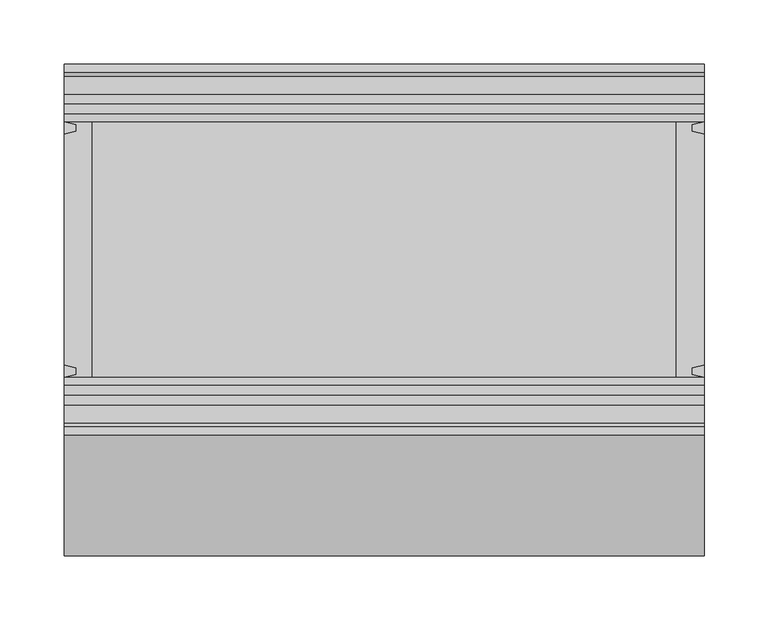
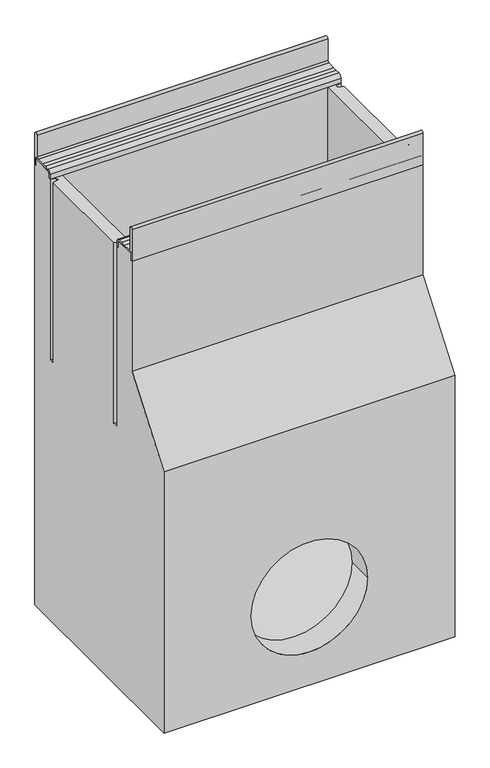
"""IFC4 building model written with IfcOpenShell, lengths in millimetres: proxy geometry."""

from ifc_helpers import new_model, si_unit, frame, origin, place, context, project, spatial, polyline, circle_curve, source, transform, mapped, element, save
from ifc_brep_helpers import plane_surface, cylinder_surface, revolved_surface, advanced_brep


def generic_models_29b518a6(model_context):
    return source(origin(), model_context, "Body", "AdvancedBrep", [
        advanced_brep(
        [(500.0, -145.0, -3.1897376), (500.0, -145.0, -60.0409124), (500.0, -141.9621547, -60.0409124), (500.0, -141.9621547, -45.4121775), (500.0, -140.5838153, -45.4121775), (500.0, -135.5826794, -48.0378453), (500.0, -106.0756907, -48.0378453), (500.0, -102.9900031, -51.1235329), (500.0, -102.9900031, -60.011934), (500.0, -100.0, -60.011934), (500.0, -100.0, -51.0756907), (500.0, -106.0756907, -45.0), (500.0, -113.8620852, -45.0), (500.0, -121.4566985, -45.0), (500.0, -135.5826794, -45.0), (500.0, -138.6205248, -41.9621547), (500.0, -138.6205248, -3.1897376), (0.0, -145.0, -3.1897376), (0.0, -138.6205248, -3.1897376), (0.0, -138.6205248, -41.9621547), (0.0, -135.5826794, -45.0), (0.0, -121.4566985, -45.0), (0.0, -113.8620852, -45.0), (0.0, -106.0756907, -45.0), (0.0, -100.0, -51.0756907), (0.0, -100.0, -60.011934), (0.0, -102.9900031, -60.011934), (0.0, -102.9900031, -51.1235329), (0.0, -106.0756907, -48.0378453), (0.0, -135.5826794, -48.0378453), (0.0, -140.5838153, -45.4121775), (0.0, -141.9621547, -45.4121775), (0.0, -141.9621547, -60.0409124), (0.0, -145.0, -60.0409124), (22.0, -100.0, -60.011934), (478.0, -100.0, -60.011934), (22.0, -100.0, -51.0756907), (478.0, -100.0, -51.0756907)],
        [
            (0, 1),
            (1, 2),
            (2, 3),
            (3, 4),
            (4, 5, circle_curve(frame((500.0, -135.5826794, -41.9621547), z_axis=(1.0, 0.0, 0.0), x_axis=(0.0, 1.0, 0.0)), 6.0756907)),
            (5, 6),
            (6, 7, circle_curve(frame((500.0, -106.0756907, -51.1235329), z_axis=(-1.0, 0.0, 0.0), x_axis=(0.0, 1.0, 0.0)), 3.0856876)),
            (7, 8),
            (8, 9),
            (9, 10),
            (10, 11, circle_curve(frame((500.0, -106.0756907, -51.0756907), z_axis=(1.0, 0.0, 0.0), x_axis=(0.0, 1.0, 0.0)), 6.0756907)),
            (11, 12),
            (12, 13),
            (13, 14),
            (14, 15, circle_curve(frame((500.0, -135.5826794, -41.9621547), z_axis=(-1.0, 0.0, 0.0), x_axis=(0.0, 1.0, 0.0)), 3.0378453)),
            (15, 16),
            (16, 0, circle_curve(frame((500.0, -141.8102624, -3.1897376), z_axis=(1.0, 0.0, 0.0), x_axis=(0.0, 1.0, 0.0)), 3.1897376)),
            (17, 18, circle_curve(frame((0.0, -141.8102624, -3.1897376), z_axis=(-1.0, 0.0, 0.0), x_axis=(0.0, 1.0, 0.0)), 3.1897376)),
            (18, 19),
            (19, 20, circle_curve(frame((0.0, -135.5826794, -41.9621547), z_axis=(1.0, 0.0, 0.0), x_axis=(0.0, 1.0, 0.0)), 3.0378453)),
            (20, 21),
            (21, 22),
            (22, 23),
            (23, 24, circle_curve(frame((0.0, -106.0756907, -51.0756907), z_axis=(-1.0, 0.0, 0.0), x_axis=(0.0, 1.0, 0.0)), 6.0756907)),
            (24, 25),
            (25, 26),
            (26, 27),
            (27, 28, circle_curve(frame((0.0, -106.0756907, -51.1235329), z_axis=(1.0, 0.0, 0.0), x_axis=(0.0, 1.0, 0.0)), 3.0856876)),
            (28, 29),
            (29, 30, circle_curve(frame((0.0, -135.5826794, -41.9621547), z_axis=(-1.0, 0.0, 0.0), x_axis=(0.0, 1.0, 0.0)), 6.0756907)),
            (30, 31),
            (31, 32),
            (32, 33),
            (33, 17),
            (0, 17),
            (33, 1),
            (32, 2),
            (31, 3),
            (30, 4),
            (29, 5),
            (28, 6),
            (27, 7),
            (26, 8),
            (25, 34),
            (34, 35),
            (35, 9),
            (24, 36),
            (36, 37),
            (37, 10),
            (23, 11),
            (22, 12),
            (21, 13),
            (20, 14),
            (19, 15),
            (18, 16),
        ],
        [
            plane_surface(frame((500.0, -145.0, -39.8640909), z_axis=(1.0, 0.0, 0.0), x_axis=(0.0, 0.0, -1.0))),
            plane_surface(frame((0.0, -145.0, -39.8640909), z_axis=(-1.0, 0.0, 0.0), x_axis=(0.0, 0.0, 1.0))),
            plane_surface(frame((500.0, -145.0, -3.1897376), z_axis=(0.0, -1.0, 0.0), x_axis=(-1.0, 0.0, 0.0))),
            plane_surface(frame((500.0, -145.0, -60.0409124), z_axis=(0.0, 0.0, -1.0), x_axis=(-1.0, 0.0, 0.0))),
            plane_surface(frame((500.0, -141.9621547, -60.0409124), z_axis=(0.0, 1.0, 0.0), x_axis=(-1.0, 0.0, 0.0))),
            plane_surface(frame((500.0, -141.9621547, -45.4121775), z_axis=(0.0, 0.0, -1.0), x_axis=(-1.0, 0.0, 0.0))),
            cylinder_surface(frame((0.0, -135.5826794, -41.9621547), z_axis=(1.0, 0.0, 0.0), x_axis=(0.0, 1.0, 0.0)), 6.0756907),
            plane_surface(frame((500.0, -135.5826794, -48.0378453), z_axis=(0.0, 0.0, -1.0), x_axis=(-1.0, 0.0, 0.0))),
            revolved_surface(polyline([(0.0, -102.9900031, -51.1235329), (500.0, -102.9900031, -51.1235329)]), (0.0, -106.0756907, -51.1235329), (-1.0, 0.0, 0.0)),
            plane_surface(frame((500.0, -102.9900031, -51.1235329), z_axis=(0.0, -1.0, 0.0), x_axis=(-1.0, 0.0, 0.0))),
            plane_surface(frame((500.0, -102.9900031, -60.011934), z_axis=(0.0, 0.0, -1.0), x_axis=(-1.0, 0.0, 0.0))),
            plane_surface(frame((500.0, -100.0, -60.011934), z_axis=(0.0, 1.0, 0.0), x_axis=(-1.0, 0.0, 0.0))),
            cylinder_surface(frame((0.0, -106.0756907, -51.0756907), z_axis=(1.0, 0.0, 0.0), x_axis=(0.0, 1.0, 0.0)), 6.0756907),
            plane_surface(frame((500.0, -106.0756907, -45.0), z_axis=(0.0, 0.0, 1.0), x_axis=(-1.0, 0.0, 0.0))),
            plane_surface(frame((500.0, -113.8620852, -45.0), z_axis=(0.0, 0.0, 1.0), x_axis=(-1.0, 0.0, 0.0))),
            plane_surface(frame((500.0, -121.4566985, -45.0), z_axis=(0.0, 0.0, 1.0), x_axis=(-1.0, 0.0, 0.0))),
            revolved_surface(polyline([(0.0, -132.5448341, -41.9621547), (500.0, -132.5448341, -41.9621547)]), (0.0, -135.5826794, -41.9621547), (-1.0, 0.0, 0.0)),
            plane_surface(frame((500.0, -138.6205248, -41.9621547), z_axis=(0.0, 1.0, 0.0), x_axis=(-1.0, 0.0, 0.0))),
            cylinder_surface(frame((0.0, -141.8102624, -3.1897376), z_axis=(1.0, 0.0, 0.0), x_axis=(0.0, 1.0, 0.0)), 3.1897376),
        ],
        [
            (0, [[1, 2, 3, 4, 5, 6, 7, 8, 9, 10, 11, 12, 13, 14, 15, 16, 17]]),
            (1, [[18, 19, 20, 21, 22, 23, 24, 25, 26, 27, 28, 29, 30, 31, 32, 33, 34]]),
            (2, [[-1, 35, -34, 36]]),
            (3, [[-2, -36, -33, 37]]),
            (4, [[-3, -37, -32, 38]]),
            (5, [[-4, -38, -31, 39]]),
            (6, [[-5, -39, -30, 40]]),
            (7, [[-6, -40, -29, 41]]),
            (8, [[-7, -41, -28, 42]]),
            (9, [[-8, -42, -27, 43]]),
            (10, [[-9, -43, -26, 44, 45, 46]]),
            (11, [[-10, -46, -45, -44, -25, 47, 48, 49]]),
            (12, [[-11, -49, -48, -47, -24, 50]]),
            (13, [[-12, -50, -23, 51]]),
            (14, [[-13, -51, -22, 52]]),
            (15, [[-14, -52, -21, 53]]),
            (16, [[-15, -53, -20, 54]]),
            (17, [[-16, -54, -19, 55]]),
            (18, [[-17, -55, -18, -35]]),
        ],
    ),
        advanced_brep(
        [(500.0, 145.0, -3.1897376), (500.0, 138.6205248, -3.1897376), (500.0, 138.6205248, -41.9621547), (500.0, 135.5826794, -45.0), (500.0, 121.4566985, -45.0), (500.0, 113.8620852, -45.0), (500.0, 106.0756907, -45.0), (500.0, 100.0, -51.0756907), (500.0, 100.0, -60.011934), (500.0, 102.9900031, -60.011934), (500.0, 102.9900031, -51.1235329), (500.0, 106.0756907, -48.0378453), (500.0, 135.5826794, -48.0378453), (500.0, 140.5838153, -45.4121775), (500.0, 141.9621547, -45.4121775), (500.0, 141.9621547, -60.0409124), (500.0, 145.0, -60.0409124), (0.0, 145.0, -3.1897376), (0.0, 145.0, -60.0409124), (0.0, 141.9621547, -60.0409124), (0.0, 141.9621547, -45.4121775), (0.0, 140.5838153, -45.4121775), (0.0, 135.5826794, -48.0378453), (0.0, 106.0756907, -48.0378453), (0.0, 102.9900031, -51.1235329), (0.0, 102.9900031, -60.011934), (0.0, 100.0, -60.011934), (0.0, 100.0, -51.0756907), (0.0, 106.0756907, -45.0), (0.0, 113.8620852, -45.0), (0.0, 121.4566985, -45.0), (0.0, 135.5826794, -45.0), (0.0, 138.6205248, -41.9621547), (0.0, 138.6205248, -3.1897376), (22.0, 100.0, -51.0756907), (478.0, 100.0, -51.0756907), (22.0, 100.0, -60.011934), (478.0, 100.0, -60.011934)],
        [
            (0, 1, circle_curve(frame((500.0, 141.8102624, -3.1897376), z_axis=(1.0, 0.0, 0.0), x_axis=(0.0, 1.0, 0.0)), 3.1897376)),
            (1, 2),
            (2, 3, circle_curve(frame((500.0, 135.5826794, -41.9621547), z_axis=(-1.0, 0.0, 0.0), x_axis=(0.0, 1.0, 0.0)), 3.0378453)),
            (3, 4),
            (4, 5),
            (5, 6),
            (6, 7, circle_curve(frame((500.0, 106.0756907, -51.0756907), z_axis=(1.0, 0.0, 0.0), x_axis=(0.0, 1.0, 0.0)), 6.0756907)),
            (7, 8),
            (8, 9),
            (9, 10),
            (10, 11, circle_curve(frame((500.0, 106.0756907, -51.1235329), z_axis=(-1.0, 0.0, 0.0), x_axis=(0.0, 1.0, 0.0)), 3.0856876)),
            (11, 12),
            (12, 13, circle_curve(frame((500.0, 135.5826794, -41.9621547), z_axis=(1.0, 0.0, 0.0), x_axis=(0.0, 1.0, 0.0)), 6.0756907)),
            (13, 14),
            (14, 15),
            (15, 16),
            (16, 0),
            (17, 18),
            (18, 19),
            (19, 20),
            (20, 21),
            (21, 22, circle_curve(frame((0.0, 135.5826794, -41.9621547), z_axis=(-1.0, 0.0, 0.0), x_axis=(0.0, 1.0, 0.0)), 6.0756907)),
            (22, 23),
            (23, 24, circle_curve(frame((0.0, 106.0756907, -51.1235329), z_axis=(1.0, 0.0, 0.0), x_axis=(0.0, 1.0, 0.0)), 3.0856876)),
            (24, 25),
            (25, 26),
            (26, 27),
            (27, 28, circle_curve(frame((0.0, 106.0756907, -51.0756907), z_axis=(-1.0, 0.0, 0.0), x_axis=(0.0, 1.0, 0.0)), 6.0756907)),
            (28, 29),
            (29, 30),
            (30, 31),
            (31, 32, circle_curve(frame((0.0, 135.5826794, -41.9621547), z_axis=(1.0, 0.0, 0.0), x_axis=(0.0, 1.0, 0.0)), 3.0378453)),
            (32, 33),
            (33, 17, circle_curve(frame((0.0, 141.8102624, -3.1897376), z_axis=(-1.0, 0.0, 0.0), x_axis=(0.0, 1.0, 0.0)), 3.1897376)),
            (0, 17),
            (33, 1),
            (32, 2),
            (31, 3),
            (30, 4),
            (29, 5),
            (28, 6),
            (27, 34),
            (34, 35),
            (35, 7),
            (26, 36),
            (36, 37),
            (37, 8),
            (25, 9),
            (24, 10),
            (23, 11),
            (22, 12),
            (21, 13),
            (20, 14),
            (19, 15),
            (18, 16),
        ],
        [
            plane_surface(frame((500.0, -145.0, -39.8640909), z_axis=(1.0, 0.0, 0.0), x_axis=(0.0, 0.0, -1.0))),
            plane_surface(frame((0.0, -145.0, -39.8640909), z_axis=(-1.0, 0.0, 0.0), x_axis=(0.0, 0.0, 1.0))),
            cylinder_surface(frame((0.0, 141.8102624, -3.1897376), z_axis=(1.0, 0.0, 0.0), x_axis=(0.0, 1.0, 0.0)), 3.1897376),
            plane_surface(frame((500.0, 138.6205248, -3.1897376), z_axis=(0.0, -1.0, 0.0), x_axis=(-1.0, 0.0, 0.0))),
            revolved_surface(polyline([(0.0, 138.62052469999998, -41.9621547), (500.0, 138.62052469999998, -41.9621547)]), (0.0, 135.5826794, -41.9621547), (-1.0, 0.0, 0.0)),
            plane_surface(frame((500.0, 135.5826794, -45.0), z_axis=(0.0, 0.0, 1.0), x_axis=(-1.0, 0.0, 0.0))),
            plane_surface(frame((500.0, 121.4566985, -45.0), z_axis=(0.0, 0.0, 1.0), x_axis=(-1.0, 0.0, 0.0))),
            plane_surface(frame((500.0, 113.8620852, -45.0), z_axis=(0.0, 0.0, 1.0), x_axis=(-1.0, 0.0, 0.0))),
            cylinder_surface(frame((0.0, 106.0756907, -51.0756907), z_axis=(1.0, 0.0, 0.0), x_axis=(0.0, 1.0, 0.0)), 6.0756907),
            plane_surface(frame((500.0, 100.0, -51.0756907), z_axis=(0.0, -1.0, 0.0), x_axis=(-1.0, 0.0, 0.0))),
            plane_surface(frame((500.0, 100.0, -60.011934), z_axis=(0.0, 0.0, -1.0), x_axis=(-1.0, 0.0, 0.0))),
            plane_surface(frame((500.0, 102.9900031, -60.011934), z_axis=(0.0, 1.0, 0.0), x_axis=(-1.0, 0.0, 0.0))),
            revolved_surface(polyline([(0.0, 109.1613783, -51.1235329), (500.0, 109.1613783, -51.1235329)]), (0.0, 106.0756907, -51.1235329), (-1.0, 0.0, 0.0)),
            plane_surface(frame((500.0, 106.0756907, -48.0378453), z_axis=(0.0, 0.0, -1.0), x_axis=(-1.0, 0.0, 0.0))),
            cylinder_surface(frame((0.0, 135.5826794, -41.9621547), z_axis=(1.0, 0.0, 0.0), x_axis=(0.0, 1.0, 0.0)), 6.0756907),
            plane_surface(frame((500.0, 140.5838153, -45.4121775), z_axis=(0.0, 0.0, -1.0), x_axis=(-1.0, 0.0, 0.0))),
            plane_surface(frame((500.0, 141.9621547, -45.4121775), z_axis=(0.0, -1.0, 0.0), x_axis=(-1.0, 0.0, 0.0))),
            plane_surface(frame((500.0, 141.9621547, -60.0409124), z_axis=(0.0, 0.0, -1.0), x_axis=(-1.0, 0.0, 0.0))),
            plane_surface(frame((500.0, 145.0, -60.0409124), z_axis=(0.0, 1.0, 0.0), x_axis=(-1.0, 0.0, 0.0))),
        ],
        [
            (0, [[1, 2, 3, 4, 5, 6, 7, 8, 9, 10, 11, 12, 13, 14, 15, 16, 17]]),
            (1, [[18, 19, 20, 21, 22, 23, 24, 25, 26, 27, 28, 29, 30, 31, 32, 33, 34]]),
            (2, [[-1, 35, -34, 36]]),
            (3, [[-2, -36, -33, 37]]),
            (4, [[-3, -37, -32, 38]]),
            (5, [[-4, -38, -31, 39]]),
            (6, [[-5, -39, -30, 40]]),
            (7, [[-6, -40, -29, 41]]),
            (8, [[-7, -41, -28, 42, 43, 44]]),
            (9, [[-8, -44, -43, -42, -27, 45, 46, 47]]),
            (10, [[-9, -47, -46, -45, -26, 48]]),
            (11, [[-10, -48, -25, 49]]),
            (12, [[-11, -49, -24, 50]]),
            (13, [[-12, -50, -23, 51]]),
            (14, [[-13, -51, -22, 52]]),
            (15, [[-14, -52, -21, 53]]),
            (16, [[-15, -53, -20, 54]]),
            (17, [[-16, -54, -19, 55]]),
            (18, [[-17, -55, -18, -35]]),
        ],
    ),
        advanced_brep(
        [(500.0, 145.0, -860.0), (500.0, 145.0, -60.0409124), (500.0, 141.9621547, -60.0409124), (500.0, 141.9621547, -45.4121775), (500.0, 140.5838153, -45.4121775), (500.0, 135.5826794, -48.0378453), (500.0, 106.0756907, -48.0378453), (500.0, 102.9900031, -51.1235329), (500.0, 102.9900031, -60.011934), (500.0, 100.0, -60.011934), (500.0, 100.0, -388.0), (500.0, 90.1615621, -388.0), (500.0, 90.1615621, -60.011934), (500.0, -90.1615621, -60.011934), (500.0, -90.1615621, -388.0), (500.0, -100.0, -388.0), (500.0, -100.0, -60.011934), (500.0, -102.9900031, -60.011934), (500.0, -102.9900031, -51.1235329), (500.0, -106.0756907, -48.0378453), (500.0, -135.5826794, -48.0378453), (500.0, -140.5838153, -45.4121775), (500.0, -141.9621547, -45.4121775), (500.0, -141.9621547, -60.0409124), (500.0, -145.0, -60.0409124), (500.0, -145.0, -260.0), (500.0, -239.4849586, -385.3857751), (500.0, -239.4849586, -860.0), (0.0, 145.0, -860.0), (0.0, -239.4849586, -860.0), (0.0, -239.4849586, -385.3857751), (0.0, -145.0, -260.0), (0.0, -145.0, -60.0409124), (0.0, -141.9621547, -60.0409124), (0.0, -141.9621547, -45.4121775), (0.0, -140.5838153, -45.4121775), (0.0, -135.5826794, -48.0378453), (0.0, -106.0756907, -48.0378453), (0.0, -102.9900031, -51.1235329), (0.0, -102.9900031, -60.011934), (0.0, -100.0, -60.011934), (0.0, -100.0, -388.0), (0.0, -90.1615621, -388.0), (0.0, -90.1615621, -60.011934), (0.0, 90.1615621, -60.011934), (0.0, 90.1615621, -388.0), (0.0, 100.0, -388.0), (0.0, 100.0, -60.011934), (0.0, 102.9900031, -60.011934), (0.0, 102.9900031, -51.1235329), (0.0, 106.0756907, -48.0378453), (0.0, 135.5826794, -48.0378453), (0.0, 140.5838153, -45.4121775), (0.0, 141.9621547, -45.4121775), (0.0, 141.9621547, -60.0409124), (0.0, 145.0, -60.0409124), (150.0, -239.4849586, -700.0), (350.0, -239.4849586, -700.0), (350.0, -194.4849586, -700.0), (150.0, -194.4849586, -700.0), (9.7029573, 97.580781, -60.011934), (9.7029573, 92.580781, -60.011934), (9.7029573, -92.580781, -60.011934), (9.7029573, -97.580781, -60.011934), (490.2970427, -97.580781, -60.011934), (490.2970427, -92.580781, -60.011934), (490.2970427, 92.580781, -60.011934), (490.2970427, 97.580781, -60.011934), (478.0, 100.0, -60.011934), (478.0, -100.0, -60.011934), (22.0, -100.0, -60.011934), (22.0, 100.0, -60.011934), (478.0, 100.0, -820.0), (478.0, -194.4849586, -820.0), (478.0, -194.4849586, -385.3857751), (478.0, -100.0, -260.0), (22.0, -100.0, -260.0), (22.0, -194.4849586, -385.3857751), (22.0, -194.4849586, -820.0), (22.0, 100.0, -820.0), (9.7029573, 97.580781, -388.0), (9.7029573, 92.580781, -388.0), (9.7029573, -92.580781, -388.0), (9.7029573, -97.580781, -388.0), (490.2970427, 97.580781, -388.0), (490.2970427, 92.580781, -388.0), (490.2970427, -92.580781, -388.0), (490.2970427, -97.580781, -388.0)],
        [
            (0, 1),
            (1, 2),
            (2, 3),
            (3, 4),
            (4, 5, circle_curve(frame((500.0, 135.5826794, -41.9621547), z_axis=(-1.0, 0.0, 0.0), x_axis=(0.0, 1.0, 0.0)), 6.0756907)),
            (5, 6),
            (6, 7, circle_curve(frame((500.0, 106.0756907, -51.1235329), z_axis=(1.0, 0.0, 0.0), x_axis=(0.0, 1.0, 0.0)), 3.0856876)),
            (7, 8),
            (8, 9),
            (9, 10),
            (10, 11),
            (11, 12),
            (12, 13),
            (13, 14),
            (14, 15),
            (15, 16),
            (16, 17),
            (17, 18),
            (18, 19, circle_curve(frame((500.0, -106.0756907, -51.1235329), z_axis=(1.0, 0.0, 0.0), x_axis=(0.0, 1.0, 0.0)), 3.0856876)),
            (19, 20),
            (20, 21, circle_curve(frame((500.0, -135.5826794, -41.9621547), z_axis=(-1.0, 0.0, 0.0), x_axis=(0.0, 1.0, 0.0)), 6.0756907)),
            (21, 22),
            (22, 23),
            (23, 24),
            (24, 25),
            (25, 26),
            (26, 27),
            (27, 0),
            (28, 29),
            (29, 30),
            (30, 31),
            (31, 32),
            (32, 33),
            (33, 34),
            (34, 35),
            (35, 36, circle_curve(frame((0.0, -135.5826794, -41.9621547), z_axis=(1.0, 0.0, 0.0), x_axis=(0.0, 1.0, 0.0)), 6.0756907)),
            (36, 37),
            (37, 38, circle_curve(frame((0.0, -106.0756907, -51.1235329), z_axis=(-1.0, 0.0, 0.0), x_axis=(0.0, 1.0, 0.0)), 3.0856876)),
            (38, 39),
            (39, 40),
            (40, 41),
            (41, 42),
            (42, 43),
            (43, 44),
            (44, 45),
            (45, 46),
            (46, 47),
            (47, 48),
            (48, 49),
            (49, 50, circle_curve(frame((0.0, 106.0756907, -51.1235329), z_axis=(-1.0, 0.0, 0.0), x_axis=(0.0, 1.0, 0.0)), 3.0856876)),
            (50, 51),
            (51, 52, circle_curve(frame((0.0, 135.5826794, -41.9621547), z_axis=(1.0, 0.0, 0.0), x_axis=(0.0, 1.0, 0.0)), 6.0756907)),
            (52, 53),
            (53, 54),
            (54, 55),
            (55, 28),
            (0, 28),
            (55, 1),
            (24, 32),
            (31, 25),
            (56, 57, circle_curve(frame((250.0, -239.4849586, -700.0), z_axis=(0.0, -1.0, 0.0), x_axis=(1.0, 0.0, 0.0)), 100.0)),
            (57, 58),
            (58, 59, circle_curve(frame((250.0, -194.4849586, -700.0), z_axis=(0.0, 1.0, 0.0), x_axis=(1.0, 0.0, 0.0)), 100.0)),
            (59, 56),
            (57, 56, circle_curve(frame((250.0, -239.4849586, -700.0), z_axis=(0.0, -1.0, 0.0), x_axis=(1.0, 0.0, 0.0)), 100.0)),
            (59, 58, circle_curve(frame((250.0, -194.4849586, -700.0), z_axis=(0.0, 1.0, 0.0), x_axis=(1.0, 0.0, 0.0)), 100.0)),
            (54, 2),
            (53, 3),
            (52, 4),
            (51, 5),
            (50, 6),
            (49, 7),
            (48, 8),
            (47, 60),
            (60, 61),
            (61, 44),
            (43, 62),
            (62, 63),
            (63, 40),
            (39, 17),
            (16, 64),
            (64, 65),
            (65, 13),
            (12, 66),
            (66, 67),
            (67, 9),
            (68, 69),
            (69, 70),
            (70, 71),
            (71, 68),
            (38, 18),
            (37, 19),
            (36, 20),
            (35, 21),
            (34, 22),
            (33, 23),
            (30, 26),
            (29, 27),
            (72, 73),
            (73, 74),
            (74, 75),
            (75, 69),
            (68, 72),
            (76, 77),
            (77, 78),
            (78, 79),
            (79, 71),
            (70, 76),
            (75, 76),
            (74, 77),
            (73, 78),
            (72, 79),
            (80, 46),
            (45, 81),
            (81, 80),
            (82, 42),
            (41, 83),
            (83, 82),
            (84, 85),
            (85, 11),
            (10, 84),
            (86, 87),
            (87, 15),
            (14, 86),
            (80, 60),
            (61, 81),
            (82, 62),
            (63, 83),
            (84, 67),
            (66, 85),
            (86, 65),
            (64, 87),
        ],
        [
            plane_surface(frame((500.0, 145.0, -31.1821489), z_axis=(1.0, 0.0, 0.0), x_axis=(0.0, 0.0, 1.0))),
            plane_surface(frame((0.0, 145.0, -31.1821489), z_axis=(-1.0, 0.0, 0.0), x_axis=(0.0, 0.0, -1.0))),
            plane_surface(frame((500.0, 145.0, -860.0), z_axis=(0.0, 1.0, 0.0), x_axis=(-1.0, 0.0, 0.0))),
            plane_surface(frame((500.0, -145.0, -60.0409124), z_axis=(0.0, -1.0, 0.0), x_axis=(-1.0, 0.0, 0.0))),
            revolved_surface(polyline([(350.0, -239.4849586, -700.0), (350.0, -194.4849586, -700.0)]), (250.0, 0.0, -700.0), (0.0, -1.0, 0.0)),
            plane_surface(frame((500.0, 145.0, -60.0409124), z_axis=(0.0, 0.0, 1.0), x_axis=(-1.0, 0.0, 0.0))),
            plane_surface(frame((500.0, 141.9621547, -60.0409124), z_axis=(0.0, 1.0, 0.0), x_axis=(-1.0, 0.0, 0.0))),
            plane_surface(frame((500.0, 141.9621547, -45.4121775), z_axis=(0.0, 0.0, 1.0), x_axis=(-1.0, 0.0, 0.0))),
            revolved_surface(polyline([(0.0, 141.65837009999998, -41.9621547), (500.0, 141.65837009999998, -41.9621547)]), (0.0, 135.5826794, -41.9621547), (-1.0, 0.0, 0.0)),
            plane_surface(frame((500.0, 135.5826794, -48.0378453), z_axis=(0.0, 0.0, 1.0), x_axis=(-1.0, 0.0, 0.0))),
            cylinder_surface(frame((0.0, 106.0756907, -51.1235329), z_axis=(1.0, 0.0, 0.0), x_axis=(0.0, 1.0, 0.0)), 3.0856876),
            plane_surface(frame((500.0, 102.9900031, -51.1235329), z_axis=(0.0, -1.0, 0.0), x_axis=(-1.0, 0.0, 0.0))),
            plane_surface(frame((500.0, 102.9900031, -60.011934), z_axis=(0.0, 0.0, 1.0), x_axis=(-1.0, 0.0, 0.0))),
            plane_surface(frame((500.0, -102.9900031, -60.011934), z_axis=(0.0, 1.0, 0.0), x_axis=(-1.0, 0.0, 0.0))),
            cylinder_surface(frame((0.0, -106.0756907, -51.1235329), z_axis=(1.0, 0.0, 0.0), x_axis=(0.0, 1.0, 0.0)), 3.0856876),
            plane_surface(frame((500.0, -106.0756907, -48.0378453), z_axis=(0.0, 0.0, 1.0), x_axis=(-1.0, 0.0, 0.0))),
            revolved_surface(polyline([(0.0, -129.5069887, -41.9621547), (500.0, -129.5069887, -41.9621547)]), (0.0, -135.5826794, -41.9621547), (-1.0, 0.0, 0.0)),
            plane_surface(frame((500.0, -140.5838153, -45.4121775), z_axis=(0.0, 0.0, 1.0), x_axis=(-1.0, 0.0, 0.0))),
            plane_surface(frame((500.0, -141.9621547, -45.4121775), z_axis=(0.0, -1.0, 0.0), x_axis=(-1.0, 0.0, 0.0))),
            plane_surface(frame((500.0, -141.9621547, -60.0409124), z_axis=(0.0, 0.0, 1.0), x_axis=(-1.0, 0.0, 0.0))),
            plane_surface(frame((500.0, -145.0, -260.0), z_axis=(0.0, -0.7986355100472923, 0.6018150231520492), x_axis=(-1.0, 0.0, 0.0))),
            plane_surface(frame((500.0, -239.4849586, -385.3857751), z_axis=(0.0, -1.0, 0.0), x_axis=(-1.0, 0.0, 0.0))),
            plane_surface(frame((500.0, -239.4849586, -860.0), z_axis=(0.0, 0.0, -1.0), x_axis=(-1.0, 0.0, 0.0))),
            plane_surface(frame((478.0, -100.0, -25.011934), z_axis=(-1.0, 0.0, 0.0), x_axis=(0.0, 0.0, -1.0))),
            plane_surface(frame((22.0, -100.0, -25.011934), z_axis=(1.0, 0.0, 0.0), x_axis=(0.0, 0.0, 1.0))),
            plane_surface(frame((478.0, -100.0, -25.011934), z_axis=(0.0, 1.0, 0.0), x_axis=(-1.0, 0.0, 0.0))),
            plane_surface(frame((478.0, -100.0, -260.0), z_axis=(0.0, 0.7986355100472923, -0.6018150231520493), x_axis=(-1.0, 0.0, 0.0))),
            plane_surface(frame((478.0, -194.4849586, -385.3857751), z_axis=(0.0, 1.0, 0.0), x_axis=(-1.0, 0.0, 0.0))),
            plane_surface(frame((478.0, -194.4849586, -820.0), z_axis=(0.0, 0.0, 1.0), x_axis=(-1.0, 0.0, 0.0))),
            plane_surface(frame((478.0, 100.0, -820.0), z_axis=(0.0, -1.0, 0.0), x_axis=(-1.0, 0.0, 0.0))),
            plane_surface(frame((0.0, 100.0, -388.0), z_axis=(0.0, 0.0, 1.0), x_axis=(0.9702957262759957, -0.24192189559967112, 0.0))),
            plane_surface(frame((9.7029573, 97.580781, -60.0409124), z_axis=(-0.24192189559967112, -0.9702957262759957, 0.0), x_axis=(0.0, 0.0, -1.0))),
            plane_surface(frame((0.0, 90.1615621, -60.0409124), z_axis=(-0.24192189559965988, 0.9702957262759985, 0.0), x_axis=(0.0, 0.0, -1.0))),
            plane_surface(frame((9.7029573, 92.580781, -60.0409124), z_axis=(-1.0, 0.0, 0.0), x_axis=(0.0, 0.0, -1.0))),
            plane_surface(frame((9.7029573, -92.580781, -60.0409124), z_axis=(-0.24192189559967106, -0.9702957262759957, 0.0), x_axis=(0.0, 0.0, -1.0))),
            plane_surface(frame((0.0, -100.0, -60.0409124), z_axis=(-0.24192189559965982, 0.9702957262759985, 0.0), x_axis=(0.0, 0.0, -1.0))),
            plane_surface(frame((9.7029573, -97.580781, -60.0409124), z_axis=(-1.0, 0.0, 0.0), x_axis=(0.0, 0.0, -1.0))),
            plane_surface(frame((490.2970427, 97.580781, -60.0409124), z_axis=(1.0, 0.0, 0.0), x_axis=(0.0, 0.0, -1.0))),
            plane_surface(frame((490.2970427, 92.580781, -60.0409124), z_axis=(0.24192189559965943, 0.9702957262759986, 0.0), x_axis=(0.0, 0.0, -1.0))),
            plane_surface(frame((500.0, 100.0, -60.0409124), z_axis=(0.2419218955996706, -0.9702957262759958, 0.0), x_axis=(0.0, 0.0, -1.0))),
            plane_surface(frame((490.2970427, -92.580781, -60.0409124), z_axis=(1.0, 0.0, 0.0), x_axis=(0.0, 0.0, -1.0))),
            plane_surface(frame((490.2970427, -97.580781, -60.0409124), z_axis=(0.241921895599661, 0.9702957262759982, 0.0), x_axis=(0.0, 0.0, -1.0))),
            plane_surface(frame((500.0, -90.1615621, -60.0409124), z_axis=(0.2419218955996706, -0.9702957262759958, 0.0), x_axis=(0.0, 0.0, -1.0))),
        ],
        [
            (0, [[1, 2, 3, 4, 5, 6, 7, 8, 9, 10, 11, 12, 13, 14, 15, 16, 17, 18, 19, 20, 21, 22, 23, 24, 25, 26, 27, 28]]),
            (1, [[29, 30, 31, 32, 33, 34, 35, 36, 37, 38, 39, 40, 41, 42, 43, 44, 45, 46, 47, 48, 49, 50, 51, 52, 53, 54, 55, 56]]),
            (2, [[-1, 57, -56, 58]]),
            (3, [[-25, 59, -32, 60]]),
            (4, [[61, 62, 63, 64]]),
            (4, [[65, -64, 66, -62]]),
            (5, [[-2, -58, -55, 67]]),
            (6, [[-3, -67, -54, 68]]),
            (7, [[-4, -68, -53, 69]]),
            (8, [[-5, -69, -52, 70]]),
            (9, [[-6, -70, -51, 71]]),
            (10, [[-7, -71, -50, 72]]),
            (11, [[-8, -72, -49, 73]]),
            (12, [[-73, -48, 74, 75, 76, -44, 77, 78, 79, -40, 80, -17, 81, 82, 83, -13, 84, 85, 86, -9], [87, 88, 89, 90]]),
            (13, [[-18, -80, -39, 91]]),
            (14, [[-19, -91, -38, 92]]),
            (15, [[-20, -92, -37, 93]]),
            (16, [[-21, -93, -36, 94]]),
            (17, [[-22, -94, -35, 95]]),
            (18, [[-23, -95, -34, 96]]),
            (19, [[-24, -96, -33, -59]]),
            (20, [[-26, -60, -31, 97]]),
            (21, [[-27, -97, -30, 98], [-61, -65]]),
            (22, [[-28, -98, -29, -57]]),
            (23, [[99, 100, 101, 102, -87, 103]]),
            (24, [[104, 105, 106, 107, -89, 108]]),
            (25, [[109, -108, -88, -102]]),
            (26, [[-101, 110, -104, -109]]),
            (27, [[-100, 111, -105, -110], [-63, -66]]),
            (28, [[-99, 112, -106, -111]]),
            (29, [[-112, -103, -90, -107]]),
            (30, [[113, -46, 114, 115]]),
            (30, [[116, -42, 117, 118]]),
            (30, [[119, 120, -11, 121]]),
            (30, [[122, 123, -15, 124]]),
            (31, [[-113, 125, -74, -47]]),
            (32, [[-114, -45, -76, 126]]),
            (33, [[-115, -126, -75, -125]]),
            (34, [[-116, 127, -77, -43]]),
            (35, [[-117, -41, -79, 128]]),
            (36, [[-118, -128, -78, -127]]),
            (37, [[-119, 129, -85, 130]]),
            (38, [[-120, -130, -84, -12]]),
            (39, [[-121, -10, -86, -129]]),
            (40, [[-122, 131, -82, 132]]),
            (41, [[-123, -132, -81, -16]]),
            (42, [[-124, -14, -83, -131]]),
        ],
    ),
    ])


if __name__ == "__main__":
    model = new_model("IFC4")
    model_context = context("Model", 3, world=origin())
    ifc_project = project(units=[si_unit("LENGTHUNIT", "METRE", prefix="MILLI")], contexts=[model_context])
    site = spatial("IfcSite", under=ifc_project)
    building = spatial("IfcBuilding", under=site)
    placement = place(None, origin())
    generic_models_shape = generic_models_29b518a6(model_context)
    element("IfcBuildingElementProxy", 1, Name="Generic Models", at=placement, inside=building, context=model_context, shape_type="MappedRepresentation", body=[
        mapped(generic_models_shape, transform((0.0, 0.0, 0.0), x_axis=(1.0, 0.0, 0.0), y_axis=(0.0, 1.0, 0.0), z_axis=(0.0, 0.0, 1.0))),
    ])
    save(model, "model.ifc")
